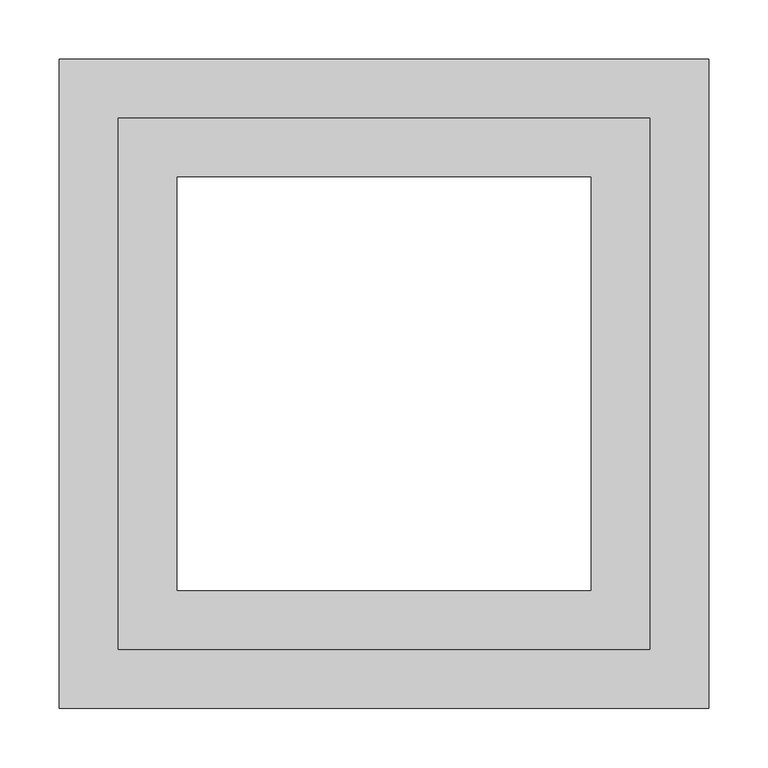
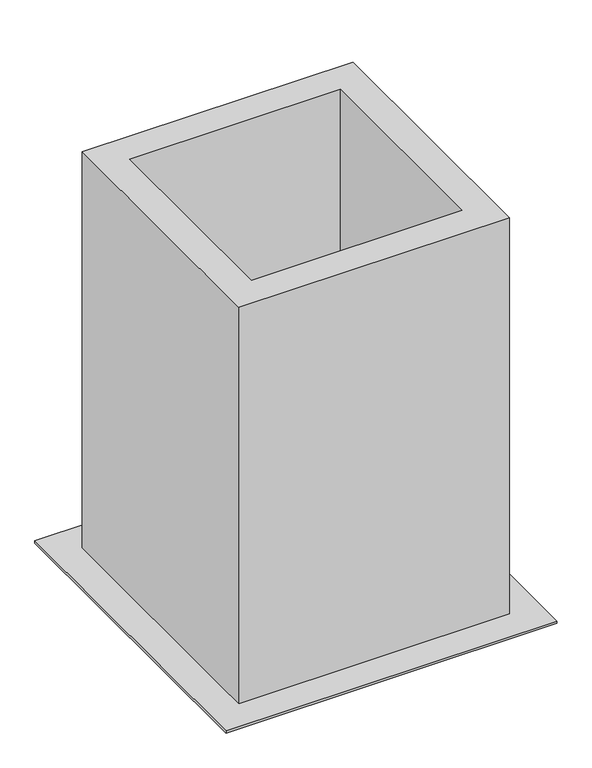
"""IFC4 building model written with IfcOpenShell, lengths in millimetres: proxy geometry."""

from ifc_helpers import new_model, si_unit, frame, origin, origin_with_axes, place, context, project, spatial, polyline, outline, extrude, source, transform, mapped, element, save


def mechanical_equipment_64b01acb(model_context):
    return source(origin(), model_context, "Body", "SweptSolid", [
        extrude(outline(polyline([(225.0, 225.0), (225.0, -225.0), (-225.0, -225.0), (-225.0, 225.0), (225.0, 225.0)]), holes=[polyline([(175.0, 175.0), (-175.0, 175.0), (-175.0, -175.0), (175.0, -175.0), (175.0, 175.0)])]), frame((0.0, 0.0, 4.0), z_axis=(0.0, 0.0, 1.0), x_axis=(1.0, 0.0, 0.0)), (0.0, 0.0, 1.0), 696.0),
        extrude(outline(polyline([(275.0, 275.0), (275.0, -275.0), (-275.0, -275.0), (-275.0, 275.0), (275.0, 275.0)]), holes=[polyline([(175.0, 175.0), (-175.0, 175.0), (-175.0, -175.0), (175.0, -175.0), (175.0, 175.0)])]), origin_with_axes(), (0.0, 0.0, 1.0), 4.0),
    ])


if __name__ == "__main__":
    model = new_model("IFC4")
    model_context = context("Model", 3, world=origin())
    ifc_project = project(units=[si_unit("LENGTHUNIT", "METRE", prefix="MILLI")], contexts=[model_context])
    site = spatial("IfcSite", under=ifc_project)
    building = spatial("IfcBuilding", under=site)
    placement = place(None, origin())
    mechanical_equipment_shape = mechanical_equipment_64b01acb(model_context)
    element("IfcBuildingElementProxy", 1, Name="Mechanical Equipment", at=placement, inside=building, context=model_context, shape_type="MappedRepresentation", body=[
        mapped(mechanical_equipment_shape, transform((0.0, 0.0, 0.0), x_axis=(1.0, 0.0, 0.0), y_axis=(0.0, 1.0, 0.0), z_axis=(0.0, 0.0, 1.0))),
    ])
    save(model, "model.ifc")
